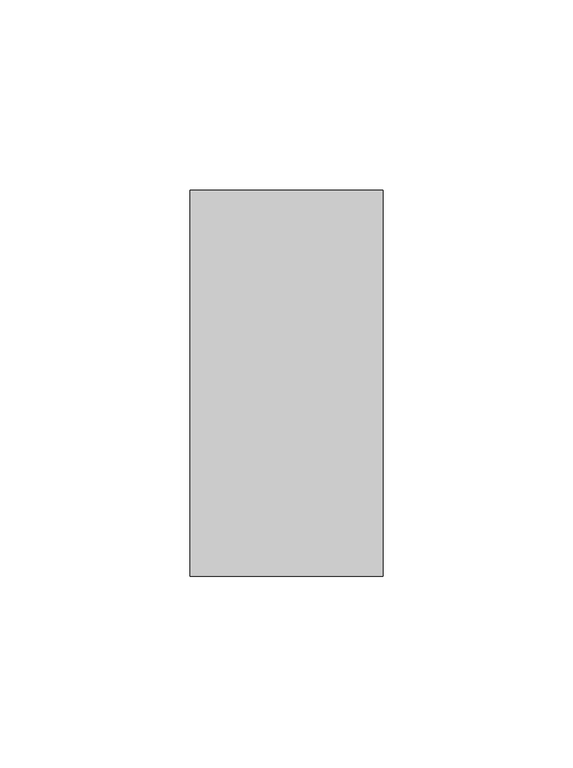
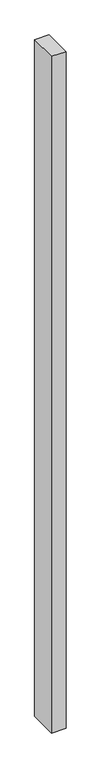
"""IFC4 building model written with IfcOpenShell, lengths in millimetres: proxy geometry."""

from ifc_helpers import new_model, si_unit, origin, origin_with_axes, place, context, project, spatial, polyline, outline, extrude, source, transform, mapped, element, save


def generic_models_03b1c418(model_context):
    return source(origin(), model_context, "Body", "SweptSolid", [
        extrude(outline(polyline([(50.8, 0.0), (0.0, 0.0), (0.0, 101.6), (50.8, 101.6), (50.8, 0.0)])), origin_with_axes(), (0.0, 0.0, 1.0), 2500.0),
    ])


if __name__ == "__main__":
    model = new_model("IFC4")
    model_context = context("Model", 3, world=origin())
    ifc_project = project(units=[si_unit("LENGTHUNIT", "METRE", prefix="MILLI")], contexts=[model_context])
    site = spatial("IfcSite", under=ifc_project)
    building = spatial("IfcBuilding", under=site)
    placement = place(None, origin())
    generic_models_shape = generic_models_03b1c418(model_context)
    element("IfcBuildingElementProxy", 1, Name="Generic Models", at=placement, inside=building, context=model_context, shape_type="MappedRepresentation", body=[
        mapped(generic_models_shape, transform((0.0, 0.0, 0.0), x_axis=(1.0, 0.0, 0.0), y_axis=(0.0, 1.0, 0.0), z_axis=(0.0, 0.0, 1.0))),
    ])
    save(model, "model.ifc")
